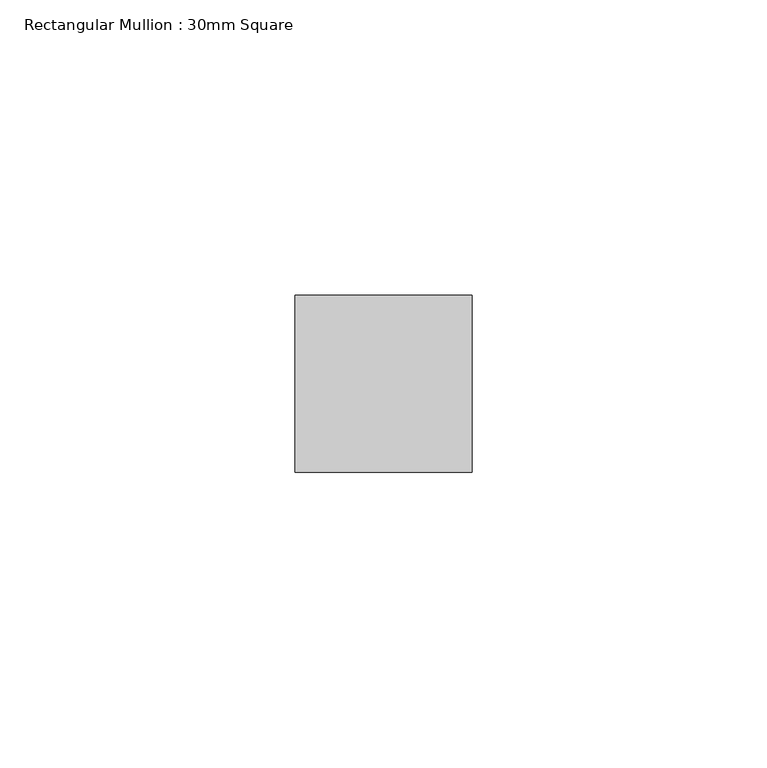
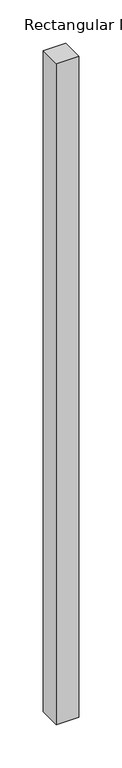
"""IFC4 building model written with IfcOpenShell, lengths in millimetres: member geometry, Rectangular Mullion : 30mm Square."""

from ifc_helpers import new_model, si_unit, frame, origin, place, context, project, spatial, polyline, outline, extrude, source, transform, mapped, element, save


def rectangular_mullion_30mm_square_3677bf10(model_context):
    return source(origin(), model_context, "Body", "SweptSolid", [
        extrude(outline(polyline([(0.0, 15.0), (0.0, -15.0), (-30.0, -15.0), (-30.0, 15.0), (0.0, 15.0)])), frame((0.0, 0.0, -933.8380147), z_axis=(0.0, 0.0, 1.0), x_axis=(1.0, 0.0, 0.0)), (0.0, 0.0, 1.0), 933.8380147),
    ])


if __name__ == "__main__":
    model = new_model("IFC4")
    model_context = context("Model", 3, world=origin())
    ifc_project = project(units=[si_unit("LENGTHUNIT", "METRE", prefix="MILLI")], contexts=[model_context])
    site = spatial("IfcSite", under=ifc_project)
    building = spatial("IfcBuilding", under=site)
    placement = place(None, origin())
    rectangular_mullion_30mm_square_shape = rectangular_mullion_30mm_square_3677bf10(model_context)
    element("IfcMember", 1, ObjectType="Rectangular Mullion : 30mm Square", at=placement, inside=building, context=model_context, shape_type="MappedRepresentation", body=[
        mapped(rectangular_mullion_30mm_square_shape, transform((0.0, 0.0, 0.0), x_axis=(1.0, 0.0, 0.0), y_axis=(0.0, 1.0, 0.0), z_axis=(0.0, 0.0, 1.0))),
    ])
    save(model, "model.ifc")
